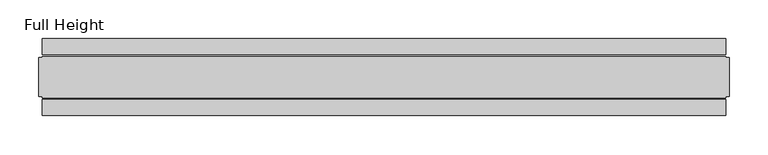
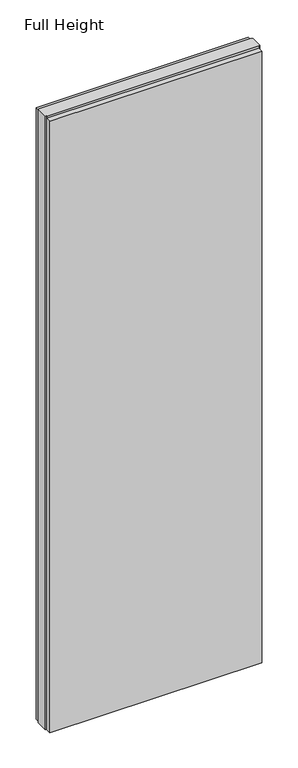
"""IFC4 building model written with IfcOpenShell, lengths in millimetres: plate geometry, Full Height."""

from ifc_helpers import new_model, si_unit, origin, origin_with_axes, place, context, project, spatial, polyline, outline, extrude, source, transform, mapped, element, save


def full_height_380c74fc(model_context):
    return source(origin(), model_context, "Body", "SweptSolid", [
        extrude(outline(polyline([(439.3354842, -28.956), (439.3354842, -49.53), (-439.3354842, -49.53), (-439.3354842, -28.956), (439.3354842, -28.956)])), origin_with_axes(), (0.0, 0.0, 1.0), 2679.192),
        extrude(outline(polyline([(439.3354842, 28.956), (-439.3354842, 28.956), (-439.3354842, 49.53), (439.3354842, 49.53), (439.3354842, 28.956)])), origin_with_axes(), (0.0, 0.0, 1.0), 2679.192),
        extrude(outline(polyline([(439.3354842, 25.146), (443.9074842, 25.146), (443.9074842, -25.146), (439.3354842, -25.146), (439.3354842, -26.67), (-439.3354842, -26.67), (-439.3354842, -25.146), (-443.9074842, -25.146), (-443.9074842, 25.146), (-439.3354842, 25.146), (-439.3354842, 26.67), (439.3354842, 26.67), (439.3354842, 25.146)])), origin_with_axes(), (0.0, 0.0, 1.0), 2688.336),
    ])


if __name__ == "__main__":
    model = new_model("IFC4")
    model_context = context("Model", 3, world=origin())
    ifc_project = project(units=[si_unit("LENGTHUNIT", "METRE", prefix="MILLI")], contexts=[model_context])
    site = spatial("IfcSite", under=ifc_project)
    building = spatial("IfcBuilding", under=site)
    placement = place(None, origin())
    full_height_shape = full_height_380c74fc(model_context)
    element("IfcPlate", 1, ObjectType="Full Height", at=placement, inside=building, context=model_context, shape_type="MappedRepresentation", body=[
        mapped(full_height_shape, transform((0.0, 0.0, 0.0), x_axis=(1.0, 0.0, 0.0), y_axis=(0.0, 1.0, 0.0), z_axis=(0.0, 0.0, 1.0))),
    ])
    save(model, "model.ifc")
